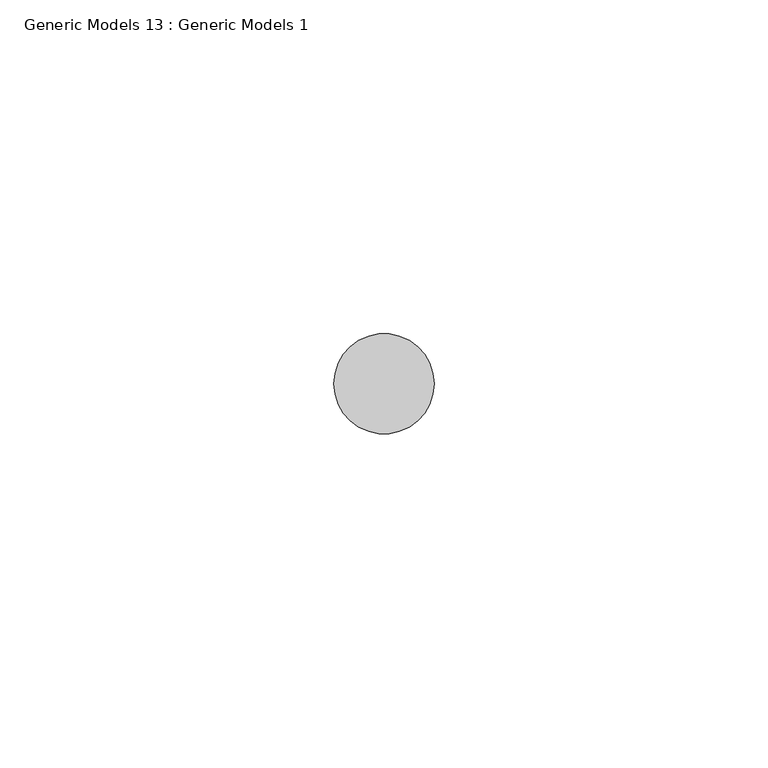
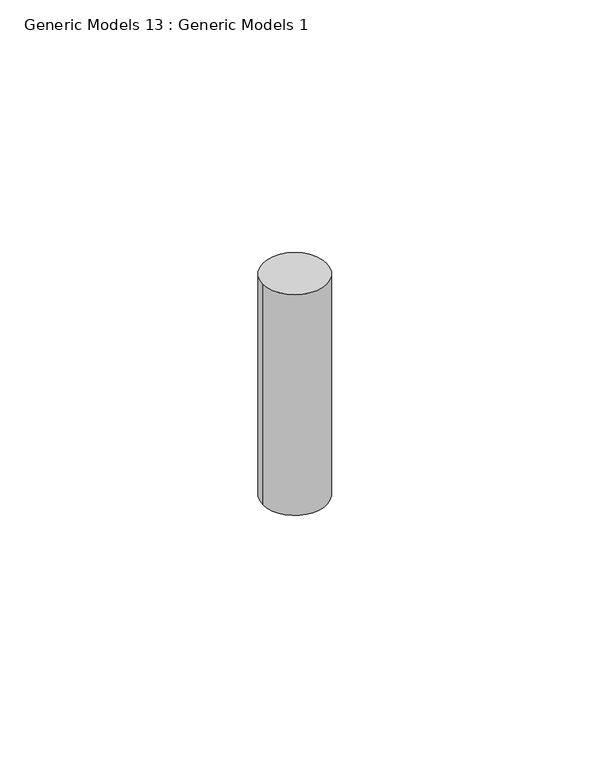
"""IFC4 building model written with IfcOpenShell, lengths in millimetres: proxy geometry, Generic Models 13 : Generic Models 1."""

from ifc_helpers import new_model, si_unit, point, frame, frame_2d, origin, place, context, project, spatial, circle_curve, trimmed, segment, composite_curve, outline, extrude, source, transform, mapped, element, save


def generic_models_13_generic_models_1_45979a0f(model_context):
    return source(origin(), model_context, "Body", "SweptSolid", [
        extrude(outline(composite_curve([segment(trimmed(circle_curve(frame_2d((4780.1090768, 400.3057469)), 7.5), [point((4787.6090768, 400.3057469))], [point((4772.6090768, 400.3057469))], False, "CARTESIAN"), True, "CONTINUOUS"), segment(trimmed(circle_curve(frame_2d((4780.1090768, 400.3057469)), 7.5), [point((4772.6090768, 400.3057469))], [point((4787.6090768, 400.3057469))], False, "CARTESIAN"), True, "CONTINUOUS")], self_intersect=False)), frame((0.0, 0.0, -839.6691196), z_axis=(0.0, 0.0, 1.0), x_axis=(1.0, 0.0, 0.0)), (0.0, 0.0, 1.0), 55.0000012),
    ])


if __name__ == "__main__":
    model = new_model("IFC4")
    model_context = context("Model", 3, world=origin())
    ifc_project = project(units=[si_unit("LENGTHUNIT", "METRE", prefix="MILLI")], contexts=[model_context])
    site = spatial("IfcSite", under=ifc_project)
    building = spatial("IfcBuilding", under=site)
    placement = place(None, origin())
    generic_models_13_generic_models_1_shape = generic_models_13_generic_models_1_45979a0f(model_context)
    element("IfcBuildingElementProxy", 1, Name="Generic Models 13 : Generic Models 1", ObjectType="Generic Models 13 : Generic Models 1", at=placement, inside=building, context=model_context, shape_type="MappedRepresentation", body=[
        mapped(generic_models_13_generic_models_1_shape, transform((0.0, 0.0, 0.0), x_axis=(1.0, 0.0, 0.0), y_axis=(0.0, 1.0, 0.0), z_axis=(0.0, 0.0, 1.0))),
    ])
    save(model, "model.ifc")
